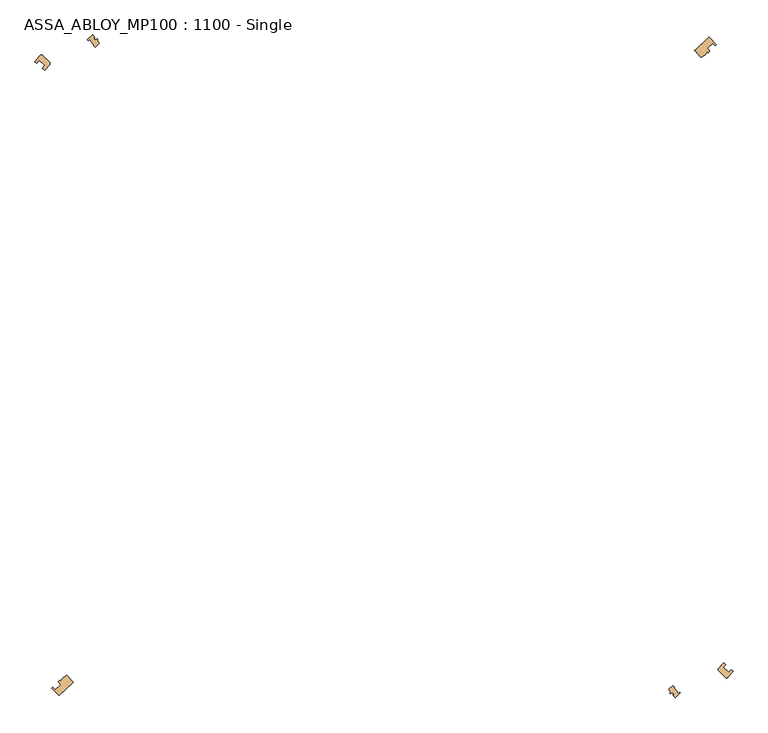
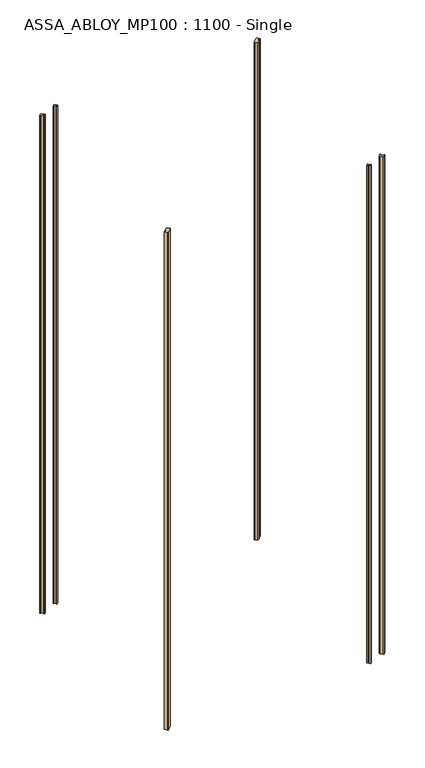
"""IFC4 building model written with IfcOpenShell, lengths in millimetres: door geometry, ASSA_ABLOY_MP100 : 1100 - Single."""

from ifc_helpers import new_model, si_unit, point, frame_2d, origin, origin_with_axes, place, context, project, spatial, polyline, circle_curve, trimmed, segment, composite_curve, outline, extrude, source, transform, mapped, element, save


def assa_abloy_mp100_1100_single_6c8e307f(model_context):
    return source(origin(), model_context, "Body", "SweptSolid", [
        extrude(outline(composite_curve([segment(polyline([(707.351798, 591.9680343), (732.5600955, 615.8230949)]), True, "CONTINUOUS"), segment(trimmed(circle_curve(frame_2d((733.2474379, 615.0967613)), 1.0), [point((732.5600955, 615.8230949))], [point((733.9505677, 615.8078228))], False, "CARTESIAN"), True, "CONTINUOUS"), segment(trimmed(circle_curve(frame_2d((126.0606602, 1.0606602)), 864.5485606), [point((733.9505677, 615.8078228))], [point((747.2818351, 602.3330323))], False, "CARTESIAN"), True, "CONTINUOUS"), segment(polyline([(747.2818351, 602.3330323), (745.1261858, 600.2466056)]), True, "CONTINUOUS"), segment(trimmed(circle_curve(frame_2d((126.0606602, 1.0606602)), 861.5485606), [point((745.1261858, 600.2466056))], [point((740.2374232, 605.2566764))], True, "CARTESIAN"), True, "CONTINUOUS"), segment(polyline([(740.2374232, 605.2566764), (730.1773888, 595.5196922)]), True, "CONTINUOUS"), segment(trimmed(circle_curve(frame_2d((126.0606602, 1.0606602)), 847.5485606), [point((730.1773888, 595.5196922))], [point((735.0664889, 590.5099482))], False, "CARTESIAN"), True, "CONTINUOUS"), segment(polyline([(735.0664889, 590.5099482), (731.5953491, 587.1502744), (730.1105308, 588.7230261), (726.1139654, 583.6223328)]), True, "CONTINUOUS"), segment(trimmed(circle_curve(frame_2d((722.9653595, 586.0893718)), 4.0), [point((726.1139654, 583.6223328))], [point((725.2550939, 582.8095674))], False, "CARTESIAN"), True, "CONTINUOUS"), segment(polyline([(725.2550939, 582.8095674), (719.308426, 578.658012)]), True, "CONTINUOUS"), segment(trimmed(circle_curve(frame_2d((719.0366185, 579.6203636)), 1.0), [point((719.308426, 578.658012))], [point((718.3102849, 578.9330213))], False, "CARTESIAN"), True, "CONTINUOUS"), segment(polyline([(718.3102849, 578.9330213), (707.3128068, 590.5543583)]), True, "CONTINUOUS"), segment(trimmed(circle_curve(frame_2d((708.0391404, 591.2417007)), 1.0), [point((707.3128068, 590.5543583))], [point((707.351798, 591.9680343))], False, "CARTESIAN"), True, "CONTINUOUS")], self_intersect=False)), origin_with_axes(), (0.0, 0.0, 1.0), 3000.0),
        extrude(outline(composite_curve([segment(polyline([(-457.351798, -591.9680343), (-482.5600955, -615.8230949)]), True, "CONTINUOUS"), segment(trimmed(circle_curve(frame_2d((-483.2474379, -615.0967613)), 1.0), [point((-482.5600955, -615.8230949))], [point((-483.9505677, -615.8078228))], False, "CARTESIAN"), True, "CONTINUOUS"), segment(trimmed(circle_curve(frame_2d((123.9393398, -1.0606602)), 864.5485606), [point((-483.9505677, -615.8078228))], [point((-497.2818351, -602.3330323))], False, "CARTESIAN"), True, "CONTINUOUS"), segment(polyline([(-497.2818351, -602.3330323), (-495.1261858, -600.2466056)]), True, "CONTINUOUS"), segment(trimmed(circle_curve(frame_2d((123.9393398, -1.0606602)), 861.5485606), [point((-495.1261858, -600.2466056))], [point((-490.2374232, -605.2566764))], True, "CARTESIAN"), True, "CONTINUOUS"), segment(polyline([(-490.2374232, -605.2566764), (-480.1773888, -595.5196922)]), True, "CONTINUOUS"), segment(trimmed(circle_curve(frame_2d((123.9393398, -1.0606602)), 847.5485606), [point((-480.1773888, -595.5196922))], [point((-485.0664889, -590.5099482))], False, "CARTESIAN"), True, "CONTINUOUS"), segment(polyline([(-485.0664889, -590.5099482), (-481.5953491, -587.1502744), (-480.1105308, -588.7230261), (-476.1139654, -583.6223328)]), True, "CONTINUOUS"), segment(trimmed(circle_curve(frame_2d((-472.9653595, -586.0893718)), 4.0), [point((-476.1139654, -583.6223328))], [point((-475.2550939, -582.8095674))], False, "CARTESIAN"), True, "CONTINUOUS"), segment(polyline([(-475.2550939, -582.8095674), (-469.308426, -578.658012)]), True, "CONTINUOUS"), segment(trimmed(circle_curve(frame_2d((-469.0366185, -579.6203636)), 1.0), [point((-469.308426, -578.658012))], [point((-468.3102849, -578.9330213))], False, "CARTESIAN"), True, "CONTINUOUS"), segment(polyline([(-468.3102849, -578.9330213), (-457.3128068, -590.5543583)]), True, "CONTINUOUS"), segment(trimmed(circle_curve(frame_2d((-458.0391404, -591.2417007)), 1.0), [point((-457.3128068, -590.5543583))], [point((-457.351798, -591.9680343))], False, "CARTESIAN"), True, "CONTINUOUS")], self_intersect=False)), origin_with_axes(), (0.0, 0.0, 1.0), 3000.0),
        extrude(outline(composite_curve([segment(polyline([(-528.4951364, 570.2883399), (-518.8329231, 582.0458794)]), True, "CONTINUOUS"), segment(trimmed(circle_curve(frame_2d((-516.2321773, 579.0067806)), 4.0), [point((-518.8329231, 582.0458794))], [point((-513.4037502, 581.8352077))], False, "CARTESIAN"), True, "CONTINUOUS"), segment(polyline([(-513.4037502, 581.8352077), (-501.434727, 569.8661845)]), True, "CONTINUOUS"), segment(trimmed(circle_curve(frame_2d((-504.2631541, 567.0377574)), 4.0), [point((-501.434727, 569.8661845))], [point((-501.1727293, 564.4982151))], False, "CARTESIAN"), True, "CONTINUOUS"), segment(polyline([(-501.1727293, 564.4982151), (-509.8124058, 553.984403), (-514.7120274, 558.2601763)]), True, "CONTINUOUS"), segment(trimmed(circle_curve(frame_2d((125.0, 0.0)), 849.05), [point((-514.7120274, 558.2601763))], [point((-510.087705, 563.5153143))], False, "CARTESIAN"), True, "CONTINUOUS"), segment(polyline([(-510.087705, 563.5153143), (-520.6362803, 572.7207837)]), True, "CONTINUOUS"), segment(trimmed(circle_curve(frame_2d((125.0, 0.0)), 863.05), [point((-520.6362803, 572.7207837))], [point((-525.26025, 567.4653379))], True, "CARTESIAN"), True, "CONTINUOUS"), segment(polyline([(-525.26025, 567.4653379), (-528.4951364, 570.2883399)]), True, "CONTINUOUS")], self_intersect=False)), origin_with_axes(), (0.0, 0.0, 1.0), 3000.0),
        extrude(outline(composite_curve([segment(polyline([(778.4976941, -570.2852068), (768.8328275, -582.045975)]), True, "CONTINUOUS"), segment(trimmed(circle_curve(frame_2d((766.2317917, -579.0170296)), 3.9924802), [point((768.8328275, -582.045975))], [point((763.4086819, -581.8401394))], False, "CARTESIAN"), True, "CONTINUOUS"), segment(polyline([(763.4086819, -581.8401394), (752.1366342, -570.5680917)]), True, "CONTINUOUS"), segment(trimmed(circle_curve(frame_2d((754.9650613, -567.7396645)), 4.0), [point((752.1366342, -570.5680917))], [point((751.8746365, -565.2001223))], False, "CARTESIAN"), True, "CONTINUOUS"), segment(polyline([(751.8746365, -565.2001223), (760.5595795, -554.6312243), (764.7135447, -558.2562485)]), True, "CONTINUOUS"), segment(trimmed(circle_curve(frame_2d((125.0, 0.0)), 849.0485606), [point((764.7135447, -558.2562485))], [point((760.0892468, -563.511408))], False, "CARTESIAN"), True, "CONTINUOUS"), segment(polyline([(760.0892468, -563.511408), (770.6378649, -572.7168282)]), True, "CONTINUOUS"), segment(trimmed(circle_curve(frame_2d((125.0, 0.0)), 863.0485606), [point((770.6378649, -572.7168282))], [point((775.2618102, -567.4613609))], True, "CARTESIAN"), True, "CONTINUOUS"), segment(polyline([(775.2618102, -567.4613609), (778.4976941, -570.2852068)]), True, "CONTINUOUS")], self_intersect=False)), origin_with_axes(), (0.0, 0.0, 1.0), 3000.0),
        extrude(outline(composite_curve([segment(polyline([(-412.2480995, 610.3730722), (-407.786377, 604.7930857)]), True, "CONTINUOUS"), segment(trimmed(circle_curve(frame_2d((125.0, 0.0)), 806.0), [point((-407.786377, 604.7930857))], [point((-415.9415188, 597.5100612))], True, "CARTESIAN"), True, "CONTINUOUS"), segment(polyline([(-415.9415188, 597.5100612), (-418.262344, 599.8308865), (-417.2203916, 600.6640252), (-425.9634135, 611.5983549), (-428.223034, 609.7915765), (-430.1839864, 611.7525289)]), True, "CONTINUOUS"), segment(trimmed(circle_curve(frame_2d((125.0, 0.0)), 826.1176764), [point((-430.1839864, 611.7525289))], [point((-420.3638497, 620.5229139))], False, "CARTESIAN"), True, "CONTINUOUS"), segment(polyline([(-420.3638497, 620.5229139), (-416.3073597, 615.4497253), (-418.2599186, 613.8884714), (-416.0741631, 611.1548889), (-411.3323718, 613.2310236), (-410.7138773, 612.4575127), (-412.2480995, 610.3730722)]), True, "CONTINUOUS")], self_intersect=False)), origin_with_axes(), (0.0, 0.0, 1.0), 3000.0),
        extrude(outline(composite_curve([segment(polyline([(661.9081623, -610.0331351), (657.786377, -604.7930857)]), True, "CONTINUOUS"), segment(trimmed(circle_curve(frame_2d((125.0, 0.0)), 806.0), [point((657.786377, -604.7930857))], [point((665.9415188, -597.5100612))], True, "CARTESIAN"), True, "CONTINUOUS"), segment(polyline([(665.9415188, -597.5100612), (668.262344, -599.8308865), (667.2203916, -600.6640252), (675.9634136, -611.5983549), (678.223034, -609.7915765), (679.8443552, -611.4128977)]), True, "CONTINUOUS"), segment(trimmed(circle_curve(frame_2d((125.0, 0.0)), 825.6379291), [point((679.8443552, -611.4128977))], [point((670.0239126, -620.1829768))], False, "CARTESIAN"), True, "CONTINUOUS"), segment(polyline([(670.0239126, -620.1829768), (665.9674225, -615.1097882), (667.9199814, -613.5485342), (665.7342259, -610.8149518), (660.9924347, -612.8910865), (660.3739402, -612.1175756), (661.9081623, -610.0331351)]), True, "CONTINUOUS")], self_intersect=False)), origin_with_axes(), (0.0, 0.0, 1.0), 3000.0),
    ])


if __name__ == "__main__":
    model = new_model("IFC4")
    model_context = context("Model", 3, world=origin())
    ifc_project = project(units=[si_unit("LENGTHUNIT", "METRE", prefix="MILLI")], contexts=[model_context])
    site = spatial("IfcSite", under=ifc_project)
    building = spatial("IfcBuilding", under=site)
    placement = place(None, origin())
    assa_abloy_mp100_1100_single_shape = assa_abloy_mp100_1100_single_6c8e307f(model_context)
    element("IfcDoor", 1, ObjectType="ASSA_ABLOY_MP100 : 1100 - Single", at=placement, inside=building, context=model_context, shape_type="MappedRepresentation", body=[
        mapped(assa_abloy_mp100_1100_single_shape, transform((0.0, 0.0, 0.0), x_axis=(1.0, 0.0, 0.0), y_axis=(0.0, 1.0, 0.0), z_axis=(0.0, 0.0, 1.0))),
    ])
    save(model, "model.ifc")
